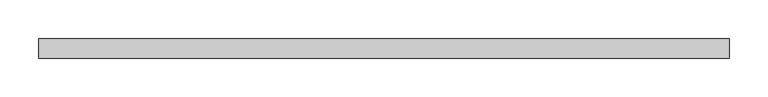
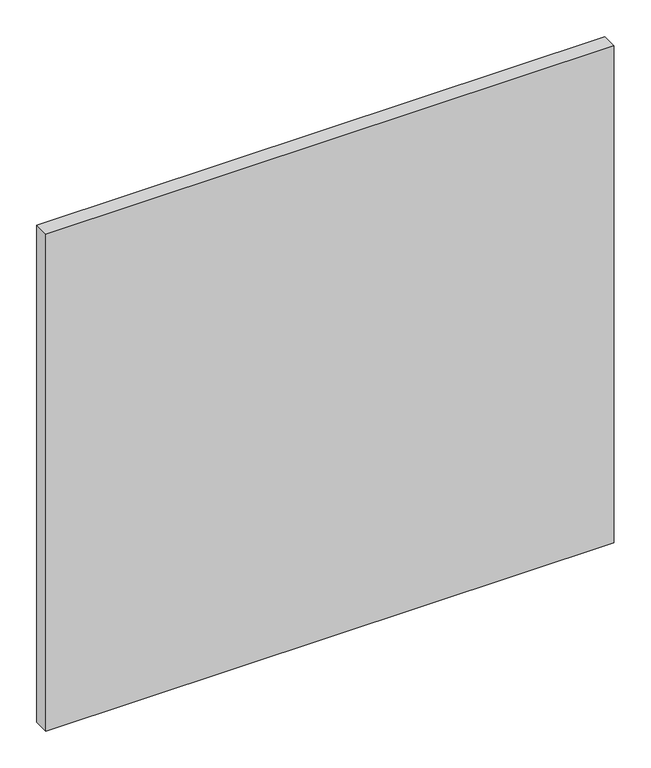
"""IFC4 building model written with IfcOpenShell, lengths in millimetres: plate geometry."""

from ifc_helpers import new_model, si_unit, origin, origin_with_axes, place, context, project, spatial, polyline, outline, extrude, source, transform, mapped, element, save


def plate_67aad09a(model_context):
    return source(origin(), model_context, "Body", "SweptSolid", [
        extrude(outline(polyline([(446.20067, 24.5), (-446.20067, 24.5), (-446.20067, 49.5), (446.20067, 49.5), (446.20067, 24.5)])), origin_with_axes(), (0.0, 0.0, 1.0), 825.0),
    ])


if __name__ == "__main__":
    model = new_model("IFC4")
    model_context = context("Model", 3, world=origin())
    ifc_project = project(units=[si_unit("LENGTHUNIT", "METRE", prefix="MILLI")], contexts=[model_context])
    site = spatial("IfcSite", under=ifc_project)
    building = spatial("IfcBuilding", under=site)
    placement = place(None, origin())
    plate_shape = plate_67aad09a(model_context)
    element("IfcPlate", 1, at=placement, inside=building, context=model_context, shape_type="MappedRepresentation", body=[
        mapped(plate_shape, transform((0.0, 0.0, 0.0), x_axis=(1.0, 0.0, 0.0), y_axis=(0.0, 1.0, 0.0), z_axis=(0.0, 0.0, 1.0))),
    ])
    save(model, "model.ifc")
